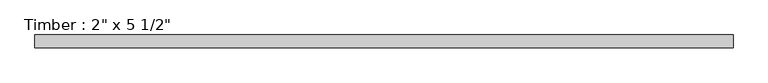
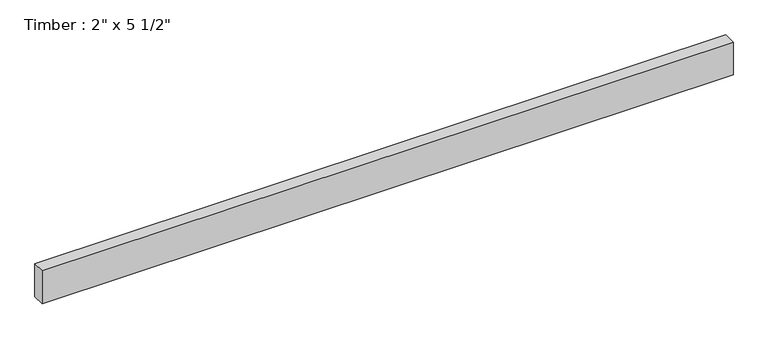
"""IFC4 building model written with IfcOpenShell, lengths in millimetres: beam geometry."""

from ifc_helpers import new_model, si_unit, frame, origin, place, context, project, spatial, polyline, outline, extrude, source, transform, mapped, element, save


def beam_e3838756(model_context):
    return source(origin(), model_context, "Body", "SweptSolid", [
        extrude(outline(polyline([(1391.6246332, 25.4), (1391.6246332, -25.4), (-1391.6246326, -25.4), (-1391.6246326, 25.4), (1391.6246332, 25.4)])), frame((0.0, 0.0, -69.85), z_axis=(0.0, 0.0, 1.0), x_axis=(1.0, 0.0, 0.0)), (0.0, 0.0, 1.0), 139.7),
    ])


if __name__ == "__main__":
    model = new_model("IFC4")
    model_context = context("Model", 3, world=origin())
    ifc_project = project(units=[si_unit("LENGTHUNIT", "METRE", prefix="MILLI")], contexts=[model_context])
    site = spatial("IfcSite", under=ifc_project)
    building = spatial("IfcBuilding", under=site)
    placement = place(None, origin())
    beam_shape = beam_e3838756(model_context)
    element("IfcBeam", 1, ObjectType="Timber : 2\" x 5 1/2\"", at=placement, inside=building, context=model_context, shape_type="MappedRepresentation", body=[
        mapped(beam_shape, transform((0.0, 0.0, 0.0), x_axis=(1.0, 0.0, 0.0), y_axis=(0.0, 1.0, 0.0), z_axis=(0.0, 0.0, 1.0))),
    ])
    save(model, "model.ifc")
